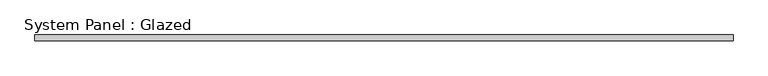
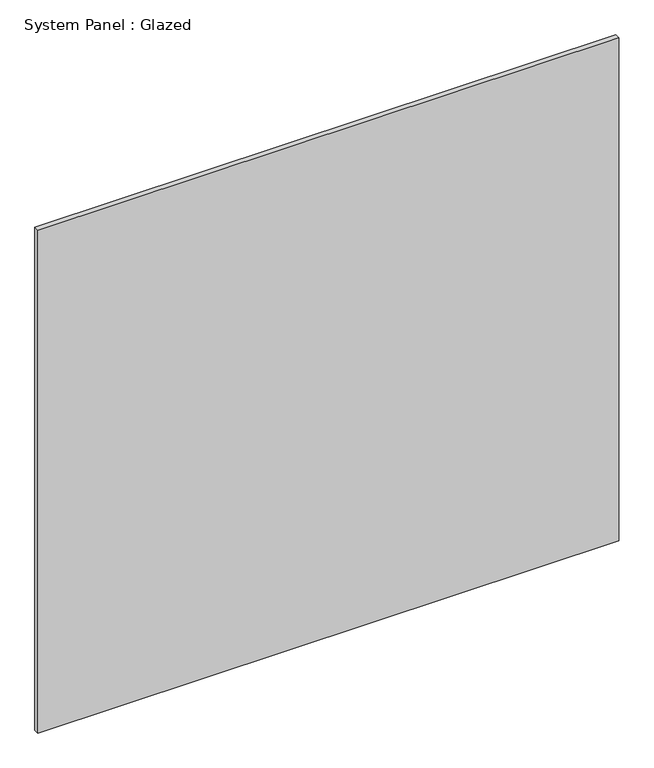
"""IFC4 building model written with IfcOpenShell, lengths in millimetres: plate geometry, System Panel : Glazed."""

from ifc_helpers import new_model, si_unit, origin, origin_with_axes, place, context, project, spatial, polyline, outline, extrude, source, transform, mapped, element, save


def system_panel_glazed_0adb7f53(model_context):
    return source(origin(), model_context, "Body", "SweptSolid", [
        extrude(outline(polyline([(1474.8391892, 24.5), (-1474.8391892, 24.5), (-1474.8391892, 49.5), (1474.8391892, 49.5), (1474.8391892, 24.5)])), origin_with_axes(), (0.0, 0.0, 1.0), 2700.0),
    ])


if __name__ == "__main__":
    model = new_model("IFC4")
    model_context = context("Model", 3, world=origin())
    ifc_project = project(units=[si_unit("LENGTHUNIT", "METRE", prefix="MILLI")], contexts=[model_context])
    site = spatial("IfcSite", under=ifc_project)
    building = spatial("IfcBuilding", under=site)
    placement = place(None, origin())
    system_panel_glazed_shape = system_panel_glazed_0adb7f53(model_context)
    element("IfcPlate", 1, ObjectType="System Panel : Glazed", at=placement, inside=building, context=model_context, shape_type="MappedRepresentation", body=[
        mapped(system_panel_glazed_shape, transform((0.0, 0.0, 0.0), x_axis=(1.0, 0.0, 0.0), y_axis=(0.0, 1.0, 0.0), z_axis=(0.0, 0.0, 1.0))),
    ])
    save(model, "model.ifc")
